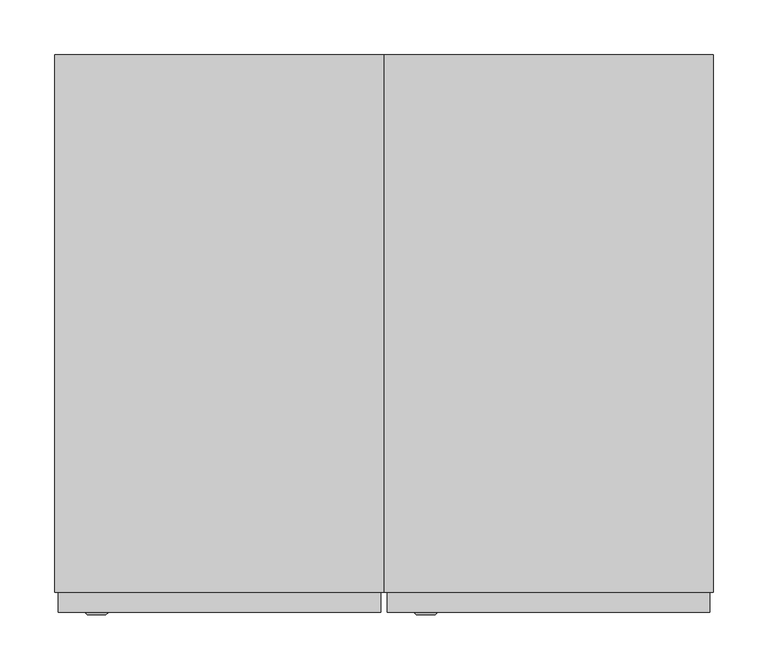
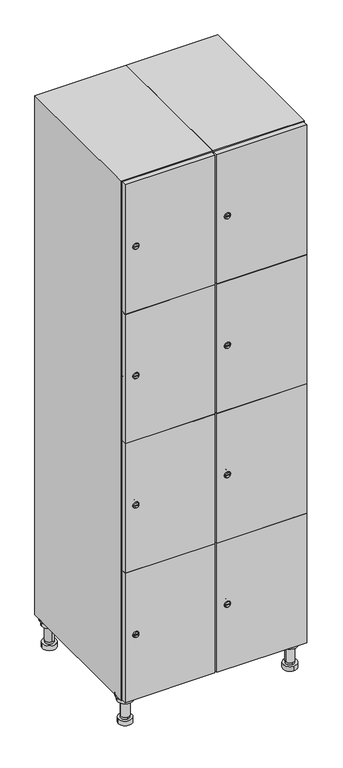
"""IFC4 building model written with IfcOpenShell, lengths in millimetres: furniture geometry."""

from ifc_helpers import new_model, si_unit, point, frame, frame_2d, origin, place, context, project, spatial, polyline, circle_curve, trimmed, segment, composite_curve, outline, extrude, faceted_brep, source, transform, mapped, element, save
from ifc_brep_helpers import plane_surface, cylinder_surface, revolved_surface, advanced_brep


def furniture_8542438e(model_context):
    return source(origin(), model_context, "Body", "SolidModel", [
        advanced_brep(
        [(370.0, -201.0, 22.0), (370.0, -201.5, 16.0), (370.0, -228.5, 16.0), (370.0, -229.0, 22.0), (356.0, -215.0, 22.0), (384.0, -215.0, 22.0), (370.0, -192.5, 16.0), (370.0, -237.5, 16.0), (370.0, -192.5, 0.0), (370.0, -237.5, 0.0), (384.0, -215.0, 78.0), (356.0, -215.0, 78.0), (395.0, -215.0, 78.0), (345.0, -215.0, 78.0), (400.0, -215.0, 94.0), (340.0, -215.0, 94.0), (345.0, -215.0, 94.0), (395.0, -215.0, 94.0), (400.0, -215.0, 100.0), (340.0, -215.0, 100.0)],
        [
            (0, 1),
            (1, 2, circle_curve(frame((370.0, -215.0, 16.0), z_axis=(0.0, 0.0, 1.0), x_axis=(0.0, -1.0, 0.0)), 13.5)),
            (2, 3),
            (3, 4, circle_curve(frame((370.0, -215.0, 22.0), z_axis=(0.0, 0.0, -1.0), x_axis=(0.0, -1.0, 0.0)), 14.0)),
            (4, 0, circle_curve(frame((370.0, -215.0, 22.0), z_axis=(0.0, 0.0, -1.0), x_axis=(0.0, -1.0, 0.0)), 14.0)),
            (0, 5, circle_curve(frame((370.0, -215.0, 22.0), z_axis=(0.0, 0.0, -1.0), x_axis=(0.0, 1.0, 0.0)), 14.0)),
            (5, 3, circle_curve(frame((370.0, -215.0, 22.0), z_axis=(0.0, 0.0, -1.0), x_axis=(0.0, 1.0, 0.0)), 14.0)),
            (2, 1, circle_curve(frame((370.0, -215.0, 16.0), z_axis=(0.0, 0.0, 1.0), x_axis=(0.0, 1.0, 0.0)), 13.5)),
            (6, 7, circle_curve(frame((370.0, -215.0, 16.0), z_axis=(0.0, 0.0, 1.0), x_axis=(0.0, -1.0, 0.0)), 22.5)),
            (7, 6, circle_curve(frame((370.0, -215.0, 16.0), z_axis=(0.0, 0.0, 1.0), x_axis=(0.0, -1.0, 0.0)), 22.5)),
            (8, 9, circle_curve(frame((370.0, -215.0, 0.0), z_axis=(0.0, 0.0, -1.0), x_axis=(0.0, -1.0, 0.0)), 22.5)),
            (9, 8, circle_curve(frame((370.0, -215.0, 0.0), z_axis=(0.0, 0.0, -1.0), x_axis=(0.0, -1.0, 0.0)), 22.5)),
            (6, 8),
            (9, 7),
            (5, 10),
            (10, 11, circle_curve(frame((370.0, -215.0, 78.0), z_axis=(0.0, 0.0, -1.0), x_axis=(-1.0, 0.0, 0.0)), 14.0)),
            (11, 4),
            (11, 10, circle_curve(frame((370.0, -215.0, 78.0), z_axis=(0.0, 0.0, -1.0), x_axis=(-1.0, 0.0, 0.0)), 14.0)),
            (12, 13, circle_curve(frame((370.0, -215.0, 78.0), z_axis=(0.0, 0.0, -1.0), x_axis=(-1.0, 0.0, 0.0)), 25.0)),
            (13, 12, circle_curve(frame((370.0, -215.0, 78.0), z_axis=(0.0, 0.0, -1.0), x_axis=(-1.0, 0.0, 0.0)), 25.0)),
            (14, 15, circle_curve(frame((370.0, -215.0, 94.0), z_axis=(0.0, 0.0, -1.0), x_axis=(-1.0, 0.0, 0.0)), 30.0)),
            (15, 14, circle_curve(frame((370.0, -215.0, 94.0), z_axis=(0.0, 0.0, -1.0), x_axis=(-1.0, 0.0, 0.0)), 30.0)),
            (16, 17, circle_curve(frame((370.0, -215.0, 94.0), z_axis=(0.0, 0.0, 1.0), x_axis=(-1.0, 0.0, 0.0)), 25.0)),
            (17, 16, circle_curve(frame((370.0, -215.0, 94.0), z_axis=(0.0, 0.0, 1.0), x_axis=(-1.0, 0.0, 0.0)), 25.0)),
            (18, 19, circle_curve(frame((370.0, -215.0, 100.0), z_axis=(0.0, 0.0, 1.0), x_axis=(-1.0, 0.0, 0.0)), 30.0)),
            (19, 18, circle_curve(frame((370.0, -215.0, 100.0), z_axis=(0.0, 0.0, 1.0), x_axis=(-1.0, 0.0, 0.0)), 30.0)),
            (14, 18),
            (19, 15),
            (12, 17),
            (16, 13),
        ],
        [
            revolved_surface(polyline([(370.0, -201.5, 16.0), (370.0, -201.0, 22.0)]), (370.0, -215.0, -146.0), (0.0, 0.0, 1.0)),
            plane_surface(frame((370.0, 0.0, 16.0), z_axis=(0.0, 0.0, 1.0), x_axis=(0.0, -1.0, 0.0))),
            plane_surface(frame((370.0, 0.0, 0.0), z_axis=(0.0, 0.0, -1.0), x_axis=(0.0, -1.0, 0.0))),
            cylinder_surface(frame((370.0, -215.0, 16.0), z_axis=(0.0, 0.0, 1.0), x_axis=(0.0, -1.0, 0.0)), 22.5),
            cylinder_surface(frame((370.0, -215.0, 22.0), z_axis=(0.0, 0.0, -1.0), x_axis=(-1.0, 0.0, 0.0)), 14.0),
            plane_surface(frame((370.0, 0.0, 78.0), z_axis=(0.0, 0.0, -1.0), x_axis=(0.0, -1.0, 0.0))),
            plane_surface(frame((370.0, 0.0, 94.0), z_axis=(0.0, 0.0, -1.0), x_axis=(0.0, -1.0, 0.0))),
            plane_surface(frame((370.0, 0.0, 100.0), z_axis=(0.0, 0.0, 1.0), x_axis=(0.0, -1.0, 0.0))),
            cylinder_surface(frame((370.0, -215.0, 94.0), z_axis=(0.0, 0.0, -1.0), x_axis=(-1.0, 0.0, 0.0)), 30.0),
            cylinder_surface(frame((370.0, -215.0, 78.0), z_axis=(0.0, 0.0, -1.0), x_axis=(-1.0, 0.0, 0.0)), 25.0),
        ],
        [
            (0, [[1, 2, 3, 4, 5]]),
            (0, [[-1, 6, 7, -3, 8]]),
            (1, [[9, 10], [-2, -8]]),
            (2, [[11, 12]]),
            (3, [[-9, 13, -12, 14]]),
            (3, [[-10, -14, -11, -13]]),
            (4, [[15, 16, 17, -4, -7]]),
            (4, [[-15, -6, -5, -17, 18]]),
            (5, [[19, 20], [-16, -18]]),
            (6, [[21, 22], [23, 24]]),
            (7, [[25, 26]]),
            (8, [[-21, 27, -26, 28]]),
            (8, [[-22, -28, -25, -27]]),
            (9, [[-19, 29, -23, 30]]),
            (9, [[-20, -30, -24, -29]]),
        ],
    ),
        advanced_brep(
        [(-170.0, -201.0, 22.0), (-170.0, -201.5, 16.0), (-170.0, -228.5, 16.0), (-170.0, -229.0, 22.0), (-184.0, -215.0, 22.0), (-156.0, -215.0, 22.0), (-147.5, -215.0, 0.0), (-192.5, -215.0, 0.0), (-147.5, -215.0, 16.0), (-192.5, -215.0, 16.0), (-156.0, -215.0, 78.0), (-184.0, -215.0, 78.0), (-145.0, -215.0, 78.0), (-195.0, -215.0, 78.0), (-140.0, -215.0, 94.0), (-200.0, -215.0, 94.0), (-195.0, -215.0, 94.0), (-145.0, -215.0, 94.0), (-140.0, -215.0, 100.0), (-200.0, -215.0, 100.0)],
        [
            (0, 1),
            (1, 2, circle_curve(frame((-170.0, -215.0, 16.0), z_axis=(0.0, 0.0, 1.0), x_axis=(0.0, -1.0, 0.0)), 13.5)),
            (2, 3),
            (3, 4, circle_curve(frame((-170.0, -215.0, 22.0), z_axis=(0.0, 0.0, -1.0), x_axis=(0.0, -1.0, 0.0)), 14.0)),
            (4, 0, circle_curve(frame((-170.0, -215.0, 22.0), z_axis=(0.0, 0.0, -1.0), x_axis=(0.0, -1.0, 0.0)), 14.0)),
            (0, 5, circle_curve(frame((-170.0, -215.0, 22.0), z_axis=(0.0, 0.0, -1.0), x_axis=(0.0, 1.0, 0.0)), 14.0)),
            (5, 3, circle_curve(frame((-170.0, -215.0, 22.0), z_axis=(0.0, 0.0, -1.0), x_axis=(0.0, 1.0, 0.0)), 14.0)),
            (2, 1, circle_curve(frame((-170.0, -215.0, 16.0), z_axis=(0.0, 0.0, 1.0), x_axis=(0.0, 1.0, 0.0)), 13.5)),
            (6, 7, circle_curve(frame((-170.0, -215.0, 0.0), z_axis=(0.0, 0.0, -1.0), x_axis=(-1.0, 0.0, 0.0)), 22.5)),
            (7, 6, circle_curve(frame((-170.0, -215.0, 0.0), z_axis=(0.0, 0.0, -1.0), x_axis=(-1.0, 0.0, 0.0)), 22.5)),
            (8, 9, circle_curve(frame((-170.0, -215.0, 16.0), z_axis=(0.0, 0.0, 1.0), x_axis=(-1.0, 0.0, 0.0)), 22.5)),
            (9, 8, circle_curve(frame((-170.0, -215.0, 16.0), z_axis=(0.0, 0.0, 1.0), x_axis=(-1.0, 0.0, 0.0)), 22.5)),
            (6, 8),
            (9, 7),
            (5, 10),
            (10, 11, circle_curve(frame((-170.0, -215.0, 78.0), z_axis=(0.0, 0.0, -1.0), x_axis=(-1.0, 0.0, 0.0)), 14.0)),
            (11, 4),
            (11, 10, circle_curve(frame((-170.0, -215.0, 78.0), z_axis=(0.0, 0.0, -1.0), x_axis=(-1.0, 0.0, 0.0)), 14.0)),
            (12, 13, circle_curve(frame((-170.0, -215.0, 78.0), z_axis=(0.0, 0.0, -1.0), x_axis=(-1.0, 0.0, 0.0)), 25.0)),
            (13, 12, circle_curve(frame((-170.0, -215.0, 78.0), z_axis=(0.0, 0.0, -1.0), x_axis=(-1.0, 0.0, 0.0)), 25.0)),
            (14, 15, circle_curve(frame((-170.0, -215.0, 94.0), z_axis=(0.0, 0.0, -1.0), x_axis=(-1.0, 0.0, 0.0)), 30.0)),
            (15, 14, circle_curve(frame((-170.0, -215.0, 94.0), z_axis=(0.0, 0.0, -1.0), x_axis=(-1.0, 0.0, 0.0)), 30.0)),
            (16, 17, circle_curve(frame((-170.0, -215.0, 94.0), z_axis=(0.0, 0.0, 1.0), x_axis=(-1.0, 0.0, 0.0)), 25.0)),
            (17, 16, circle_curve(frame((-170.0, -215.0, 94.0), z_axis=(0.0, 0.0, 1.0), x_axis=(-1.0, 0.0, 0.0)), 25.0)),
            (18, 19, circle_curve(frame((-170.0, -215.0, 100.0), z_axis=(0.0, 0.0, 1.0), x_axis=(-1.0, 0.0, 0.0)), 30.0)),
            (19, 18, circle_curve(frame((-170.0, -215.0, 100.0), z_axis=(0.0, 0.0, 1.0), x_axis=(-1.0, 0.0, 0.0)), 30.0)),
            (14, 18),
            (19, 15),
            (12, 17),
            (16, 13),
        ],
        [
            revolved_surface(polyline([(-170.0, -201.5, 16.0), (-170.0, -201.0, 22.0)]), (-170.0, -215.0, -146.0), (0.0, 0.0, 1.0)),
            plane_surface(frame((-170.0, 0.0, 0.0), z_axis=(0.0, 0.0, -1.0), x_axis=(0.0, -1.0, 0.0))),
            plane_surface(frame((-170.0, 0.0, 16.0), z_axis=(0.0, 0.0, 1.0), x_axis=(0.0, -1.0, 0.0))),
            cylinder_surface(frame((-170.0, -215.0, 0.0), z_axis=(0.0, 0.0, -1.0), x_axis=(-1.0, 0.0, 0.0)), 22.5),
            cylinder_surface(frame((-170.0, -215.0, 22.0), z_axis=(0.0, 0.0, -1.0), x_axis=(-1.0, 0.0, 0.0)), 14.0),
            plane_surface(frame((-170.0, 0.0, 78.0), z_axis=(0.0, 0.0, -1.0), x_axis=(0.0, -1.0, 0.0))),
            plane_surface(frame((-170.0, 0.0, 94.0), z_axis=(0.0, 0.0, -1.0), x_axis=(0.0, -1.0, 0.0))),
            plane_surface(frame((-170.0, 0.0, 100.0), z_axis=(0.0, 0.0, 1.0), x_axis=(0.0, -1.0, 0.0))),
            cylinder_surface(frame((-170.0, -215.0, 94.0), z_axis=(0.0, 0.0, -1.0), x_axis=(-1.0, 0.0, 0.0)), 30.0),
            cylinder_surface(frame((-170.0, -215.0, 78.0), z_axis=(0.0, 0.0, -1.0), x_axis=(-1.0, 0.0, 0.0)), 25.0),
        ],
        [
            (0, [[1, 2, 3, 4, 5]]),
            (0, [[-1, 6, 7, -3, 8]]),
            (1, [[9, 10]]),
            (2, [[11, 12], [-2, -8]]),
            (3, [[-9, 13, -12, 14]]),
            (3, [[-10, -14, -11, -13]]),
            (4, [[15, 16, 17, -4, -7]]),
            (4, [[-15, -6, -5, -17, 18]]),
            (5, [[19, 20], [-16, -18]]),
            (6, [[21, 22], [23, 24]]),
            (7, [[25, 26]]),
            (8, [[-21, 27, -26, 28]]),
            (8, [[-22, -28, -25, -27]]),
            (9, [[-19, 29, -23, 30]]),
            (9, [[-20, -30, -24, -29]]),
        ],
    ),
        advanced_brep(
        [(383.5, 215.0, 16.0), (384.0, 215.0, 22.0), (356.0, 215.0, 22.0), (356.5, 215.0, 16.0), (392.5, 215.0, 0.0), (347.5, 215.0, 0.0), (392.5, 215.0, 16.0), (347.5, 215.0, 16.0), (384.0, 215.0, 78.0), (356.0, 215.0, 78.0), (395.0, 215.0, 78.0), (345.0, 215.0, 78.0), (400.0, 215.0, 94.0), (340.0, 215.0, 94.0), (345.0, 215.0, 94.0), (395.0, 215.0, 94.0), (400.0, 215.0, 100.0), (340.0, 215.0, 100.0)],
        [
            (0, 1),
            (1, 2, circle_curve(frame((370.0, 215.0, 22.0), z_axis=(0.0, 0.0, -1.0), x_axis=(-1.0, 0.0, 0.0)), 14.0)),
            (2, 3),
            (3, 0, circle_curve(frame((370.0, 215.0, 16.0), z_axis=(0.0, 0.0, 1.0), x_axis=(-1.0, 0.0, 0.0)), 13.5)),
            (0, 3, circle_curve(frame((370.0, 215.0, 16.0), z_axis=(0.0, 0.0, 1.0), x_axis=(1.0, 0.0, 0.0)), 13.5)),
            (2, 1, circle_curve(frame((370.0, 215.0, 22.0), z_axis=(0.0, 0.0, -1.0), x_axis=(1.0, 0.0, 0.0)), 14.0)),
            (4, 5, circle_curve(frame((370.0, 215.0, 0.0), z_axis=(0.0, 0.0, -1.0), x_axis=(-1.0, 0.0, 0.0)), 22.5)),
            (5, 4, circle_curve(frame((370.0, 215.0, 0.0), z_axis=(0.0, 0.0, -1.0), x_axis=(-1.0, 0.0, 0.0)), 22.5)),
            (6, 7, circle_curve(frame((370.0, 215.0, 16.0), z_axis=(0.0, 0.0, 1.0), x_axis=(-1.0, 0.0, 0.0)), 22.5)),
            (7, 6, circle_curve(frame((370.0, 215.0, 16.0), z_axis=(0.0, 0.0, 1.0), x_axis=(-1.0, 0.0, 0.0)), 22.5)),
            (4, 6),
            (7, 5),
            (1, 8),
            (8, 9, circle_curve(frame((370.0, 215.0, 78.0), z_axis=(0.0, 0.0, -1.0), x_axis=(-1.0, 0.0, 0.0)), 14.0)),
            (9, 2),
            (9, 8, circle_curve(frame((370.0, 215.0, 78.0), z_axis=(0.0, 0.0, -1.0), x_axis=(-1.0, 0.0, 0.0)), 14.0)),
            (10, 11, circle_curve(frame((370.0, 215.0, 78.0), z_axis=(0.0, 0.0, -1.0), x_axis=(-1.0, 0.0, 0.0)), 25.0)),
            (11, 10, circle_curve(frame((370.0, 215.0, 78.0), z_axis=(0.0, 0.0, -1.0), x_axis=(-1.0, 0.0, 0.0)), 25.0)),
            (12, 13, circle_curve(frame((370.0, 215.0, 94.0), z_axis=(0.0, 0.0, -1.0), x_axis=(-1.0, 0.0, 0.0)), 30.0)),
            (13, 12, circle_curve(frame((370.0, 215.0, 94.0), z_axis=(0.0, 0.0, -1.0), x_axis=(-1.0, 0.0, 0.0)), 30.0)),
            (14, 15, circle_curve(frame((370.0, 215.0, 94.0), z_axis=(0.0, 0.0, 1.0), x_axis=(-1.0, 0.0, 0.0)), 25.0)),
            (15, 14, circle_curve(frame((370.0, 215.0, 94.0), z_axis=(0.0, 0.0, 1.0), x_axis=(-1.0, 0.0, 0.0)), 25.0)),
            (16, 17, circle_curve(frame((370.0, 215.0, 100.0), z_axis=(0.0, 0.0, 1.0), x_axis=(-1.0, 0.0, 0.0)), 30.0)),
            (17, 16, circle_curve(frame((370.0, 215.0, 100.0), z_axis=(0.0, 0.0, 1.0), x_axis=(-1.0, 0.0, 0.0)), 30.0)),
            (12, 16),
            (17, 13),
            (10, 15),
            (14, 11),
        ],
        [
            revolved_surface(polyline([(383.5, 215.0, 16.0), (384.0, 215.0, 22.0)]), (370.0, 215.0, -146.0), (0.0, 0.0, 1.0)),
            plane_surface(frame((370.0, 0.0, 0.0), z_axis=(0.0, 0.0, -1.0), x_axis=(0.0, -1.0, 0.0))),
            plane_surface(frame((370.0, 0.0, 16.0), z_axis=(0.0, 0.0, 1.0), x_axis=(0.0, -1.0, 0.0))),
            cylinder_surface(frame((370.0, 215.0, 0.0), z_axis=(0.0, 0.0, -1.0), x_axis=(-1.0, 0.0, 0.0)), 22.5),
            cylinder_surface(frame((370.0, 215.0, 22.0), z_axis=(0.0, 0.0, -1.0), x_axis=(-1.0, 0.0, 0.0)), 14.0),
            plane_surface(frame((370.0, 0.0, 78.0), z_axis=(0.0, 0.0, -1.0), x_axis=(0.0, -1.0, 0.0))),
            plane_surface(frame((370.0, 0.0, 94.0), z_axis=(0.0, 0.0, -1.0), x_axis=(0.0, -1.0, 0.0))),
            plane_surface(frame((370.0, 0.0, 100.0), z_axis=(0.0, 0.0, 1.0), x_axis=(0.0, -1.0, 0.0))),
            cylinder_surface(frame((370.0, 215.0, 94.0), z_axis=(0.0, 0.0, -1.0), x_axis=(-1.0, 0.0, 0.0)), 30.0),
            cylinder_surface(frame((370.0, 215.0, 78.0), z_axis=(0.0, 0.0, -1.0), x_axis=(-1.0, 0.0, 0.0)), 25.0),
        ],
        [
            (0, [[1, 2, 3, 4]]),
            (0, [[-1, 5, -3, 6]]),
            (1, [[7, 8]]),
            (2, [[9, 10], [-4, -5]]),
            (3, [[-7, 11, -10, 12]]),
            (3, [[-8, -12, -9, -11]]),
            (4, [[13, 14, 15, -2]]),
            (4, [[-13, -6, -15, 16]]),
            (5, [[17, 18], [-14, -16]]),
            (6, [[19, 20], [21, 22]]),
            (7, [[23, 24]]),
            (8, [[-19, 25, -24, 26]]),
            (8, [[-20, -26, -23, -25]]),
            (9, [[-17, 27, -21, 28]]),
            (9, [[-18, -28, -22, -27]]),
        ],
    ),
        advanced_brep(
        [(-156.5, 215.0, 16.0), (-156.0, 215.0, 22.0), (-170.0, 201.0, 22.0), (-184.0, 215.0, 22.0), (-183.5, 215.0, 16.0), (-170.0, 229.0, 22.0), (-147.5, 215.0, 0.0), (-192.5, 215.0, 0.0), (-147.5, 215.0, 16.0), (-192.5, 215.0, 16.0), (-170.0, 229.0, 78.0), (-170.0, 201.0, 78.0), (-145.0, 215.0, 78.0), (-195.0, 215.0, 78.0), (-140.0, 215.0, 94.0), (-200.0, 215.0, 94.0), (-195.0, 215.0, 94.0), (-145.0, 215.0, 94.0), (-140.0, 215.0, 100.0), (-200.0, 215.0, 100.0)],
        [
            (0, 1),
            (1, 2, circle_curve(frame((-170.0, 215.0, 22.0), z_axis=(0.0, 0.0, -1.0), x_axis=(-1.0, 0.0, 0.0)), 14.0)),
            (2, 3, circle_curve(frame((-170.0, 215.0, 22.0), z_axis=(0.0, 0.0, -1.0), x_axis=(-1.0, 0.0, 0.0)), 14.0)),
            (3, 4),
            (4, 0, circle_curve(frame((-170.0, 215.0, 16.0), z_axis=(0.0, 0.0, 1.0), x_axis=(-1.0, 0.0, 0.0)), 13.5)),
            (0, 4, circle_curve(frame((-170.0, 215.0, 16.0), z_axis=(0.0, 0.0, 1.0), x_axis=(1.0, 0.0, 0.0)), 13.5)),
            (3, 5, circle_curve(frame((-170.0, 215.0, 22.0), z_axis=(0.0, 0.0, -1.0), x_axis=(1.0, 0.0, 0.0)), 14.0)),
            (5, 1, circle_curve(frame((-170.0, 215.0, 22.0), z_axis=(0.0, 0.0, -1.0), x_axis=(1.0, 0.0, 0.0)), 14.0)),
            (6, 7, circle_curve(frame((-170.0, 215.0, 0.0), z_axis=(0.0, 0.0, -1.0), x_axis=(-1.0, 0.0, 0.0)), 22.5)),
            (7, 6, circle_curve(frame((-170.0, 215.0, 0.0), z_axis=(0.0, 0.0, -1.0), x_axis=(-1.0, 0.0, 0.0)), 22.5)),
            (8, 9, circle_curve(frame((-170.0, 215.0, 16.0), z_axis=(0.0, 0.0, 1.0), x_axis=(-1.0, 0.0, 0.0)), 22.5)),
            (9, 8, circle_curve(frame((-170.0, 215.0, 16.0), z_axis=(0.0, 0.0, 1.0), x_axis=(-1.0, 0.0, 0.0)), 22.5)),
            (6, 8),
            (9, 7),
            (10, 5),
            (2, 11),
            (11, 10, circle_curve(frame((-170.0, 215.0, 78.0), z_axis=(0.0, 0.0, -1.0), x_axis=(0.0, -1.0, 0.0)), 14.0)),
            (10, 11, circle_curve(frame((-170.0, 215.0, 78.0), z_axis=(0.0, 0.0, -1.0), x_axis=(0.0, -1.0, 0.0)), 14.0)),
            (12, 13, circle_curve(frame((-170.0, 215.0, 78.0), z_axis=(0.0, 0.0, -1.0), x_axis=(-1.0, 0.0, 0.0)), 25.0)),
            (13, 12, circle_curve(frame((-170.0, 215.0, 78.0), z_axis=(0.0, 0.0, -1.0), x_axis=(-1.0, 0.0, 0.0)), 25.0)),
            (14, 15, circle_curve(frame((-170.0, 215.0, 94.0), z_axis=(0.0, 0.0, -1.0), x_axis=(-1.0, 0.0, 0.0)), 30.0)),
            (15, 14, circle_curve(frame((-170.0, 215.0, 94.0), z_axis=(0.0, 0.0, -1.0), x_axis=(-1.0, 0.0, 0.0)), 30.0)),
            (16, 17, circle_curve(frame((-170.0, 215.0, 94.0), z_axis=(0.0, 0.0, 1.0), x_axis=(-1.0, 0.0, 0.0)), 25.0)),
            (17, 16, circle_curve(frame((-170.0, 215.0, 94.0), z_axis=(0.0, 0.0, 1.0), x_axis=(-1.0, 0.0, 0.0)), 25.0)),
            (18, 19, circle_curve(frame((-170.0, 215.0, 100.0), z_axis=(0.0, 0.0, 1.0), x_axis=(-1.0, 0.0, 0.0)), 30.0)),
            (19, 18, circle_curve(frame((-170.0, 215.0, 100.0), z_axis=(0.0, 0.0, 1.0), x_axis=(-1.0, 0.0, 0.0)), 30.0)),
            (14, 18),
            (19, 15),
            (12, 17),
            (16, 13),
        ],
        [
            revolved_surface(polyline([(-156.5, 215.0, 16.0), (-156.0, 215.0, 22.0)]), (-170.0, 215.0, -146.0), (0.0, 0.0, 1.0)),
            plane_surface(frame((-170.0, 0.0, 0.0), z_axis=(0.0, 0.0, -1.0), x_axis=(0.0, -1.0, 0.0))),
            plane_surface(frame((-170.0, 0.0, 16.0), z_axis=(0.0, 0.0, 1.0), x_axis=(0.0, -1.0, 0.0))),
            cylinder_surface(frame((-170.0, 215.0, 0.0), z_axis=(0.0, 0.0, -1.0), x_axis=(-1.0, 0.0, 0.0)), 22.5),
            cylinder_surface(frame((-170.0, 215.0, 78.0), z_axis=(0.0, 0.0, 1.0), x_axis=(0.0, -1.0, 0.0)), 14.0),
            plane_surface(frame((-170.0, 0.0, 78.0), z_axis=(0.0, 0.0, -1.0), x_axis=(0.0, -1.0, 0.0))),
            plane_surface(frame((-170.0, 0.0, 94.0), z_axis=(0.0, 0.0, -1.0), x_axis=(0.0, -1.0, 0.0))),
            plane_surface(frame((-170.0, 0.0, 100.0), z_axis=(0.0, 0.0, 1.0), x_axis=(0.0, -1.0, 0.0))),
            cylinder_surface(frame((-170.0, 215.0, 94.0), z_axis=(0.0, 0.0, -1.0), x_axis=(-1.0, 0.0, 0.0)), 30.0),
            cylinder_surface(frame((-170.0, 215.0, 78.0), z_axis=(0.0, 0.0, -1.0), x_axis=(-1.0, 0.0, 0.0)), 25.0),
        ],
        [
            (0, [[1, 2, 3, 4, 5]]),
            (0, [[-1, 6, -4, 7, 8]]),
            (1, [[9, 10]]),
            (2, [[11, 12], [-5, -6]]),
            (3, [[-9, 13, -12, 14]]),
            (3, [[-10, -14, -11, -13]]),
            (4, [[15, -7, -3, 16, 17]]),
            (4, [[-15, 18, -16, -2, -8]]),
            (5, [[19, 20], [-17, -18]]),
            (6, [[21, 22], [23, 24]]),
            (7, [[25, 26]]),
            (8, [[-21, 27, -26, 28]]),
            (8, [[-22, -28, -25, -27]]),
            (9, [[-19, 29, -23, 30]]),
            (9, [[-20, -30, -24, -29]]),
        ],
    ),
        extrude(outline(composite_curve([segment(trimmed(circle_curve(frame_2d((327.25, 111.2010534)), 7.0), [point((334.25, 111.2010534))], [point((320.25, 111.2010534))], False, "CARTESIAN"), True, "CONTINUOUS"), segment(polyline([(320.25, 111.2010534), (320.25, 139.2010534)]), True, "CONTINUOUS"), segment(trimmed(circle_curve(frame_2d((327.25, 139.2010534)), 7.0), [point((320.25, 139.2010534))], [point((334.25, 139.2010534))], False, "CARTESIAN"), True, "CONTINUOUS"), segment(polyline([(334.25, 139.2010534), (334.25, 111.2010534)]), True, "CONTINUOUS")], self_intersect=False)), frame((0.0, -245.0, 0.0), z_axis=(0.0, 1.0, 0.0), x_axis=(0.0, 0.0, 1.0)), (0.0, 0.0, 1.0), 2.0),
        advanced_brep(
        [(146.5, -265.2, 327.25), (129.5, -265.2, 327.25), (133.0, -265.2, 326.0), (133.0, -265.2, 328.5), (143.0, -265.2, 328.5), (143.0, -265.2, 326.0), (148.5, -263.0, 327.25), (127.5, -263.0, 327.25), (133.0, -263.0, 328.5), (133.0, -263.0, 326.0), (143.0, -263.0, 326.0), (143.0, -263.0, 328.5)],
        [
            (0, 1, circle_curve(frame((138.0, -265.2, 327.25), z_axis=(0.0, -1.0, 0.0), x_axis=(1.0, 0.0, 0.0)), 8.5)),
            (1, 0, circle_curve(frame((138.0, -265.2, 327.25), z_axis=(0.0, -1.0, 0.0), x_axis=(-1.0, 0.0, 0.0)), 8.5)),
            (2, 3),
            (3, 4),
            (4, 5),
            (5, 2),
            (6, 7, circle_curve(frame((138.0, -263.0, 327.25), z_axis=(0.0, 1.0, 0.0), x_axis=(-1.0, 0.0, 0.0)), 10.5)),
            (7, 6, circle_curve(frame((138.0, -263.0, 327.25), z_axis=(0.0, 1.0, 0.0), x_axis=(1.0, 0.0, 0.0)), 10.5)),
            (8, 9),
            (9, 10),
            (10, 11),
            (11, 8),
            (0, 6),
            (7, 1),
            (8, 3),
            (2, 9),
            (11, 4),
            (10, 5),
        ],
        [
            plane_surface(frame((138.0, -265.2, 327.25), z_axis=(0.0, -1.0, 0.0), x_axis=(0.0, 0.0, 1.0))),
            plane_surface(frame((138.0, -263.0, 327.25), z_axis=(0.0, 1.0, 0.0), x_axis=(0.0, 0.0, 1.0))),
            revolved_surface(polyline([(146.5, -265.2, 327.25), (148.5, -263.0, 327.25)]), (138.0, -274.55, 327.25), (0.0, 1.0, 0.0)),
            revolved_surface(polyline([(129.5, -265.2, 327.25), (127.5, -263.0, 327.25)]), (138.0, -274.55, 327.25), (0.0, 1.0, 0.0)),
            plane_surface(frame((133.0, -263.0, 326.0), z_axis=(1.0, 0.0, 0.0), x_axis=(0.0, -1.0, 0.0))),
            plane_surface(frame((133.0, -263.0, 328.5), z_axis=(0.0, 0.0, -1.0), x_axis=(0.0, -1.0, 0.0))),
            plane_surface(frame((143.0, -263.0, 328.5), z_axis=(-1.0, 0.0, 0.0), x_axis=(0.0, -1.0, 0.0))),
            plane_surface(frame((143.0, -263.0, 326.0), z_axis=(0.0, 0.0, 1.0), x_axis=(0.0, -1.0, 0.0))),
        ],
        [
            (0, [[1, 2], [3, 4, 5, 6]]),
            (1, [[7, 8], [9, 10, 11, 12]]),
            (2, [[-1, 13, -8, 14]]),
            (3, [[-2, -14, -7, -13]]),
            (4, [[15, -3, 16, -9]]),
            (5, [[-15, -12, 17, -4]]),
            (6, [[-17, -11, 18, -5]]),
            (7, [[-16, -6, -18, -10]]),
        ],
    ),
        extrude(outline(composite_curve([segment(trimmed(circle_curve(frame_2d((775.75, 111.2010534)), 7.0), [point((782.75, 111.2010534))], [point((768.75, 111.2010534))], False, "CARTESIAN"), True, "CONTINUOUS"), segment(polyline([(768.75, 111.2010534), (768.75, 139.2010534)]), True, "CONTINUOUS"), segment(trimmed(circle_curve(frame_2d((775.75, 139.2010534)), 7.0), [point((768.75, 139.2010534))], [point((782.75, 139.2010534))], False, "CARTESIAN"), True, "CONTINUOUS"), segment(polyline([(782.75, 139.2010534), (782.75, 111.2010534)]), True, "CONTINUOUS")], self_intersect=False)), frame((0.0, -245.0, 0.0), z_axis=(0.0, 1.0, 0.0), x_axis=(0.0, 0.0, 1.0)), (0.0, 0.0, 1.0), 2.0),
        advanced_brep(
        [(146.5, -265.2, 775.75), (129.5, -265.2, 775.75), (133.0, -265.2, 774.5), (133.0, -265.2, 777.0), (143.0, -265.2, 777.0), (143.0, -265.2, 774.5), (148.5, -263.0, 775.75), (127.5, -263.0, 775.75), (133.0, -263.0, 777.0), (133.0, -263.0, 774.5), (143.0, -263.0, 774.5), (143.0, -263.0, 777.0)],
        [
            (0, 1, circle_curve(frame((138.0, -265.2, 775.75), z_axis=(0.0, -1.0, 0.0), x_axis=(1.0, 0.0, 0.0)), 8.5)),
            (1, 0, circle_curve(frame((138.0, -265.2, 775.75), z_axis=(0.0, -1.0, 0.0), x_axis=(-1.0, 0.0, 0.0)), 8.5)),
            (2, 3),
            (3, 4),
            (4, 5),
            (5, 2),
            (6, 7, circle_curve(frame((138.0, -263.0, 775.75), z_axis=(0.0, 1.0, 0.0), x_axis=(-1.0, 0.0, 0.0)), 10.5)),
            (7, 6, circle_curve(frame((138.0, -263.0, 775.75), z_axis=(0.0, 1.0, 0.0), x_axis=(1.0, 0.0, 0.0)), 10.5)),
            (8, 9),
            (9, 10),
            (10, 11),
            (11, 8),
            (0, 6),
            (7, 1),
            (8, 3),
            (2, 9),
            (11, 4),
            (10, 5),
        ],
        [
            plane_surface(frame((138.0, -265.2, 775.75), z_axis=(0.0, -1.0, 0.0), x_axis=(0.0, 0.0, 1.0))),
            plane_surface(frame((138.0, -263.0, 775.75), z_axis=(0.0, 1.0, 0.0), x_axis=(0.0, 0.0, 1.0))),
            revolved_surface(polyline([(146.5, -265.2, 775.75), (148.5, -263.0, 775.75)]), (138.0, -274.55, 775.75), (0.0, 1.0, 0.0)),
            revolved_surface(polyline([(129.5, -265.2, 775.75), (127.5, -263.0, 775.75)]), (138.0, -274.55, 775.75), (0.0, 1.0, 0.0)),
            plane_surface(frame((133.0, -263.0, 774.5), z_axis=(1.0, 0.0, 0.0), x_axis=(0.0, -1.0, 0.0))),
            plane_surface(frame((133.0, -263.0, 777.0), z_axis=(0.0, 0.0, -1.0), x_axis=(0.0, -1.0, 0.0))),
            plane_surface(frame((143.0, -263.0, 777.0), z_axis=(-1.0, 0.0, 0.0), x_axis=(0.0, -1.0, 0.0))),
            plane_surface(frame((143.0, -263.0, 774.5), z_axis=(0.0, 0.0, 1.0), x_axis=(0.0, -1.0, 0.0))),
        ],
        [
            (0, [[1, 2], [3, 4, 5, 6]]),
            (1, [[7, 8], [9, 10, 11, 12]]),
            (2, [[-1, 13, -8, 14]]),
            (3, [[-2, -14, -7, -13]]),
            (4, [[15, -3, 16, -9]]),
            (5, [[-15, -12, 17, -4]]),
            (6, [[-17, -11, 18, -5]]),
            (7, [[-16, -6, -18, -10]]),
        ],
    ),
        extrude(outline(composite_curve([segment(trimmed(circle_curve(frame_2d((1224.25, 111.2010534)), 7.0), [point((1231.25, 111.2010534))], [point((1217.25, 111.2010534))], False, "CARTESIAN"), True, "CONTINUOUS"), segment(polyline([(1217.25, 111.2010534), (1217.25, 139.2010534)]), True, "CONTINUOUS"), segment(trimmed(circle_curve(frame_2d((1224.25, 139.2010534)), 7.0), [point((1217.25, 139.2010534))], [point((1231.25, 139.2010534))], False, "CARTESIAN"), True, "CONTINUOUS"), segment(polyline([(1231.25, 139.2010534), (1231.25, 111.2010534)]), True, "CONTINUOUS")], self_intersect=False)), frame((0.0, -245.0, 0.0), z_axis=(0.0, 1.0, 0.0), x_axis=(0.0, 0.0, 1.0)), (0.0, 0.0, 1.0), 2.0),
        advanced_brep(
        [(146.5, -265.2, 1224.25), (129.5, -265.2, 1224.25), (133.0, -265.2, 1223.0), (133.0, -265.2, 1225.5), (143.0, -265.2, 1225.5), (143.0, -265.2, 1223.0), (148.5, -263.0, 1224.25), (127.5, -263.0, 1224.25), (133.0, -263.0, 1225.5), (133.0, -263.0, 1223.0), (143.0, -263.0, 1223.0), (143.0, -263.0, 1225.5)],
        [
            (0, 1, circle_curve(frame((138.0, -265.2, 1224.25), z_axis=(0.0, -1.0, 0.0), x_axis=(1.0, 0.0, 0.0)), 8.5)),
            (1, 0, circle_curve(frame((138.0, -265.2, 1224.25), z_axis=(0.0, -1.0, 0.0), x_axis=(-1.0, 0.0, 0.0)), 8.5)),
            (2, 3),
            (3, 4),
            (4, 5),
            (5, 2),
            (6, 7, circle_curve(frame((138.0, -263.0, 1224.25), z_axis=(0.0, 1.0, 0.0), x_axis=(-1.0, 0.0, 0.0)), 10.5)),
            (7, 6, circle_curve(frame((138.0, -263.0, 1224.25), z_axis=(0.0, 1.0, 0.0), x_axis=(1.0, 0.0, 0.0)), 10.5)),
            (8, 9),
            (9, 10),
            (10, 11),
            (11, 8),
            (0, 6),
            (7, 1),
            (8, 3),
            (2, 9),
            (11, 4),
            (10, 5),
        ],
        [
            plane_surface(frame((138.0, -265.2, 1224.25), z_axis=(0.0, -1.0, 0.0), x_axis=(0.0, 0.0, 1.0))),
            plane_surface(frame((138.0, -263.0, 1224.25), z_axis=(0.0, 1.0, 0.0), x_axis=(0.0, 0.0, 1.0))),
            revolved_surface(polyline([(146.5, -265.2, 1224.25), (148.5, -263.0, 1224.25)]), (138.0, -274.55, 1224.25), (0.0, 1.0, 0.0)),
            revolved_surface(polyline([(129.5, -265.2, 1224.25), (127.5, -263.0, 1224.25)]), (138.0, -274.55, 1224.25), (0.0, 1.0, 0.0)),
            plane_surface(frame((133.0, -263.0, 1223.0), z_axis=(1.0, 0.0, 0.0), x_axis=(0.0, -1.0, 0.0))),
            plane_surface(frame((133.0, -263.0, 1225.5), z_axis=(0.0, 0.0, -1.0), x_axis=(0.0, -1.0, 0.0))),
            plane_surface(frame((143.0, -263.0, 1225.5), z_axis=(-1.0, 0.0, 0.0), x_axis=(0.0, -1.0, 0.0))),
            plane_surface(frame((143.0, -263.0, 1223.0), z_axis=(0.0, 0.0, 1.0), x_axis=(0.0, -1.0, 0.0))),
        ],
        [
            (0, [[1, 2], [3, 4, 5, 6]]),
            (1, [[7, 8], [9, 10, 11, 12]]),
            (2, [[-1, 13, -8, 14]]),
            (3, [[-2, -14, -7, -13]]),
            (4, [[15, -3, 16, -9]]),
            (5, [[-15, -12, 17, -4]]),
            (6, [[-17, -11, 18, -5]]),
            (7, [[-16, -6, -18, -10]]),
        ],
    ),
        extrude(outline(composite_curve([segment(trimmed(circle_curve(frame_2d((1672.75, 111.2010534)), 7.0), [point((1679.75, 111.2010534))], [point((1665.75, 111.2010534))], False, "CARTESIAN"), True, "CONTINUOUS"), segment(polyline([(1665.75, 111.2010534), (1665.75, 139.2010534)]), True, "CONTINUOUS"), segment(trimmed(circle_curve(frame_2d((1672.75, 139.2010534)), 7.0), [point((1665.75, 139.2010534))], [point((1679.75, 139.2010534))], False, "CARTESIAN"), True, "CONTINUOUS"), segment(polyline([(1679.75, 139.2010534), (1679.75, 111.2010534)]), True, "CONTINUOUS")], self_intersect=False)), frame((0.0, -245.0, 0.0), z_axis=(0.0, 1.0, 0.0), x_axis=(0.0, 0.0, 1.0)), (0.0, 0.0, 1.0), 2.0),
        advanced_brep(
        [(146.5, -265.2, 1672.75), (129.5, -265.2, 1672.75), (133.0, -265.2, 1671.5), (133.0, -265.2, 1674.0), (143.0, -265.2, 1674.0), (143.0, -265.2, 1671.5), (148.5, -263.0, 1672.75), (127.5, -263.0, 1672.75), (133.0, -263.0, 1674.0), (133.0, -263.0, 1671.5), (143.0, -263.0, 1671.5), (143.0, -263.0, 1674.0)],
        [
            (0, 1, circle_curve(frame((138.0, -265.2, 1672.75), z_axis=(0.0, -1.0, 0.0), x_axis=(1.0, 0.0, 0.0)), 8.5)),
            (1, 0, circle_curve(frame((138.0, -265.2, 1672.75), z_axis=(0.0, -1.0, 0.0), x_axis=(-1.0, 0.0, 0.0)), 8.5)),
            (2, 3),
            (3, 4),
            (4, 5),
            (5, 2),
            (6, 7, circle_curve(frame((138.0, -263.0, 1672.75), z_axis=(0.0, 1.0, 0.0), x_axis=(-1.0, 0.0, 0.0)), 10.5)),
            (7, 6, circle_curve(frame((138.0, -263.0, 1672.75), z_axis=(0.0, 1.0, 0.0), x_axis=(1.0, 0.0, 0.0)), 10.5)),
            (8, 9),
            (9, 10),
            (10, 11),
            (11, 8),
            (0, 6),
            (7, 1),
            (8, 3),
            (2, 9),
            (11, 4),
            (10, 5),
        ],
        [
            plane_surface(frame((138.0, -265.2, 1672.75), z_axis=(0.0, -1.0, 0.0), x_axis=(0.0, 0.0, 1.0))),
            plane_surface(frame((138.0, -263.0, 1672.75), z_axis=(0.0, 1.0, 0.0), x_axis=(0.0, 0.0, 1.0))),
            revolved_surface(polyline([(146.5, -265.2, 1672.75), (148.5, -263.0, 1672.75)]), (138.0, -274.55, 1672.75), (0.0, 1.0, 0.0)),
            revolved_surface(polyline([(129.5, -265.2, 1672.75), (127.5, -263.0, 1672.75)]), (138.0, -274.55, 1672.75), (0.0, 1.0, 0.0)),
            plane_surface(frame((133.0, -263.0, 1671.5), z_axis=(1.0, 0.0, 0.0), x_axis=(0.0, -1.0, 0.0))),
            plane_surface(frame((133.0, -263.0, 1674.0), z_axis=(0.0, 0.0, -1.0), x_axis=(0.0, -1.0, 0.0))),
            plane_surface(frame((143.0, -263.0, 1674.0), z_axis=(-1.0, 0.0, 0.0), x_axis=(0.0, -1.0, 0.0))),
            plane_surface(frame((143.0, -263.0, 1671.5), z_axis=(0.0, 0.0, 1.0), x_axis=(0.0, -1.0, 0.0))),
        ],
        [
            (0, [[1, 2], [3, 4, 5, 6]]),
            (1, [[7, 8], [9, 10, 11, 12]]),
            (2, [[-1, 13, -8, 14]]),
            (3, [[-2, -14, -7, -13]]),
            (4, [[15, -3, 16, -9]]),
            (5, [[-15, -12, 17, -4]]),
            (6, [[-17, -11, 18, -5]]),
            (7, [[-16, -6, -18, -10]]),
        ],
    ),
        extrude(outline(polyline([(397.0, -245.0), (397.0, -263.0), (103.0, -263.0), (103.0, -245.0), (397.0, -245.0)])), frame((0.0, 0.0, 551.0), z_axis=(0.0, 0.0, 1.0), x_axis=(1.0, 0.0, 0.0)), (0.0, 0.0, 1.0), 448.5),
        extrude(outline(polyline([(397.0, -245.0), (397.0, -263.0), (103.0, -263.0), (103.0, -245.0), (397.0, -245.0)])), frame((0.0, 0.0, 1000.5), z_axis=(0.0, 0.0, 1.0), x_axis=(1.0, 0.0, 0.0)), (0.0, 0.0, 1.0), 447.5),
        extrude(outline(polyline([(103.0, -263.0), (103.0, -245.0), (397.0, -245.0), (397.0, -263.0), (103.0, -263.0)])), frame((0.0, 0.0, 1449.0), z_axis=(0.0, 0.0, 1.0), x_axis=(1.0, 0.0, 0.0)), (0.0, 0.0, 1.0), 448.0),
        extrude(outline(polyline([(397.0, -245.0), (397.0, -263.0), (103.0, -263.0), (103.0, -245.0), (397.0, -245.0)])), frame((0.0, 0.0, 103.0), z_axis=(0.0, 0.0, 1.0), x_axis=(1.0, 0.0, 0.0)), (0.0, 0.0, 1.0), 449.0),
        extrude(outline(polyline([(382.0, 227.0), (382.0, -227.0), (118.0, -227.0), (118.0, 227.0), (382.0, 227.0)])), frame((0.0, 0.0, 1432.0), z_axis=(0.0, 0.0, 1.0), x_axis=(1.0, 0.0, 0.0)), (0.0, 0.0, 1.0), 18.0),
        extrude(outline(polyline([(382.0, 227.0), (382.0, -227.0), (118.0, -227.0), (118.0, 227.0), (382.0, 227.0)])), frame((0.0, 0.0, 991.0), z_axis=(0.0, 0.0, 1.0), x_axis=(1.0, 0.0, 0.0)), (0.0, 0.0, 1.0), 18.0),
        extrude(outline(polyline([(382.0, 227.0), (382.0, -227.0), (118.0, -227.0), (118.0, 227.0), (382.0, 227.0)])), frame((0.0, 0.0, 550.0), z_axis=(0.0, 0.0, 1.0), x_axis=(1.0, 0.0, 0.0)), (0.0, 0.0, 1.0), 18.0),
        faceted_brep([(400.0, -245.0, 100.0), (400.0, -245.0, 1900.0), (100.0, -245.0, 1900.0), (100.0, -245.0, 100.0), (382.0, -245.0, 1882.0), (382.0, -245.0, 118.0), (118.0, -245.0, 118.0), (118.0, -245.0, 1882.0), (400.0, 245.0, 100.0), (100.0, 245.0, 100.0), (400.0, 245.0, 1900.0), (100.0, 245.0, 1900.0), (382.0, 227.0, 1882.0), (382.0, 227.0, 118.0), (100.0, 245.0, 1882.0), (118.0, 227.0, 1882.0), (118.0, 227.0, 118.0)], [[[0, 1, 2, 3], [4, 5, 6, 7]], [[8, 0, 3, 9]], [[1, 0, 8, 10]], [[1, 10, 11, 2]], [[4, 12, 13, 5]], [[9, 3, 2, 11, 14]], [[10, 8, 9, 14, 11]], [[12, 15, 16, 13]], [[15, 7, 6, 16]], [[4, 7, 15, 12]], [[6, 5, 13, 16]]]),
        extrude(outline(composite_curve([segment(trimmed(circle_curve(frame_2d((327.25, -188.7989466)), 7.0), [point((334.25, -188.7989466))], [point((320.25, -188.7989466))], False, "CARTESIAN"), True, "CONTINUOUS"), segment(polyline([(320.25, -188.7989466), (320.25, -160.7989466)]), True, "CONTINUOUS"), segment(trimmed(circle_curve(frame_2d((327.25, -160.7989466)), 7.0), [point((320.25, -160.7989466))], [point((334.25, -160.7989466))], False, "CARTESIAN"), True, "CONTINUOUS"), segment(polyline([(334.25, -160.7989466), (334.25, -188.7989466)]), True, "CONTINUOUS")], self_intersect=False)), frame((0.0, -245.0, 0.0), z_axis=(0.0, 1.0, 0.0), x_axis=(0.0, 0.0, 1.0)), (0.0, 0.0, 1.0), 2.0),
        advanced_brep(
        [(-153.5, -265.2, 327.25), (-170.5, -265.2, 327.25), (-167.0, -265.2, 326.0), (-167.0, -265.2, 328.5), (-157.0, -265.2, 328.5), (-157.0, -265.2, 326.0), (-151.5, -263.0, 327.25), (-172.5, -263.0, 327.25), (-167.0, -263.0, 328.5), (-167.0, -263.0, 326.0), (-157.0, -263.0, 326.0), (-157.0, -263.0, 328.5)],
        [
            (0, 1, circle_curve(frame((-162.0, -265.2, 327.25), z_axis=(0.0, -1.0, 0.0), x_axis=(1.0, 0.0, 0.0)), 8.5)),
            (1, 0, circle_curve(frame((-162.0, -265.2, 327.25), z_axis=(0.0, -1.0, 0.0), x_axis=(-1.0, 0.0, 0.0)), 8.5)),
            (2, 3),
            (3, 4),
            (4, 5),
            (5, 2),
            (6, 7, circle_curve(frame((-162.0, -263.0, 327.25), z_axis=(0.0, 1.0, 0.0), x_axis=(-1.0, 0.0, 0.0)), 10.5)),
            (7, 6, circle_curve(frame((-162.0, -263.0, 327.25), z_axis=(0.0, 1.0, 0.0), x_axis=(1.0, 0.0, 0.0)), 10.5)),
            (8, 9),
            (9, 10),
            (10, 11),
            (11, 8),
            (0, 6),
            (7, 1),
            (8, 3),
            (2, 9),
            (11, 4),
            (10, 5),
        ],
        [
            plane_surface(frame((-162.0, -265.2, 327.25), z_axis=(0.0, -1.0, 0.0), x_axis=(0.0, 0.0, 1.0))),
            plane_surface(frame((-162.0, -263.0, 327.25), z_axis=(0.0, 1.0, 0.0), x_axis=(0.0, 0.0, 1.0))),
            revolved_surface(polyline([(-153.5, -265.2, 327.25), (-151.5, -263.0, 327.25)]), (-162.0, -274.55, 327.25), (0.0, 1.0, 0.0)),
            revolved_surface(polyline([(-170.5, -265.2, 327.25), (-172.5, -263.0, 327.25)]), (-162.0, -274.55, 327.25), (0.0, 1.0, 0.0)),
            plane_surface(frame((-167.0, -263.0, 326.0), z_axis=(1.0, 0.0, 0.0), x_axis=(0.0, -1.0, 0.0))),
            plane_surface(frame((-167.0, -263.0, 328.5), z_axis=(0.0, 0.0, -1.0), x_axis=(0.0, -1.0, 0.0))),
            plane_surface(frame((-157.0, -263.0, 328.5), z_axis=(-1.0, 0.0, 0.0), x_axis=(0.0, -1.0, 0.0))),
            plane_surface(frame((-157.0, -263.0, 326.0), z_axis=(0.0, 0.0, 1.0), x_axis=(0.0, -1.0, 0.0))),
        ],
        [
            (0, [[1, 2], [3, 4, 5, 6]]),
            (1, [[7, 8], [9, 10, 11, 12]]),
            (2, [[-1, 13, -8, 14]]),
            (3, [[-2, -14, -7, -13]]),
            (4, [[15, -3, 16, -9]]),
            (5, [[-15, -12, 17, -4]]),
            (6, [[-17, -11, 18, -5]]),
            (7, [[-16, -6, -18, -10]]),
        ],
    ),
        extrude(outline(composite_curve([segment(trimmed(circle_curve(frame_2d((775.75, -188.7989466)), 7.0), [point((782.75, -188.7989466))], [point((768.75, -188.7989466))], False, "CARTESIAN"), True, "CONTINUOUS"), segment(polyline([(768.75, -188.7989466), (768.75, -160.7989466)]), True, "CONTINUOUS"), segment(trimmed(circle_curve(frame_2d((775.75, -160.7989466)), 7.0), [point((768.75, -160.7989466))], [point((782.75, -160.7989466))], False, "CARTESIAN"), True, "CONTINUOUS"), segment(polyline([(782.75, -160.7989466), (782.75, -188.7989466)]), True, "CONTINUOUS")], self_intersect=False)), frame((0.0, -245.0, 0.0), z_axis=(0.0, 1.0, 0.0), x_axis=(0.0, 0.0, 1.0)), (0.0, 0.0, 1.0), 2.0),
        advanced_brep(
        [(-153.5, -265.2, 775.75), (-170.5, -265.2, 775.75), (-167.0, -265.2, 774.5), (-167.0, -265.2, 777.0), (-157.0, -265.2, 777.0), (-157.0, -265.2, 774.5), (-151.5, -263.0, 775.75), (-172.5, -263.0, 775.75), (-167.0, -263.0, 777.0), (-167.0, -263.0, 774.5), (-157.0, -263.0, 774.5), (-157.0, -263.0, 777.0)],
        [
            (0, 1, circle_curve(frame((-162.0, -265.2, 775.75), z_axis=(0.0, -1.0, 0.0), x_axis=(1.0, 0.0, 0.0)), 8.5)),
            (1, 0, circle_curve(frame((-162.0, -265.2, 775.75), z_axis=(0.0, -1.0, 0.0), x_axis=(-1.0, 0.0, 0.0)), 8.5)),
            (2, 3),
            (3, 4),
            (4, 5),
            (5, 2),
            (6, 7, circle_curve(frame((-162.0, -263.0, 775.75), z_axis=(0.0, 1.0, 0.0), x_axis=(-1.0, 0.0, 0.0)), 10.5)),
            (7, 6, circle_curve(frame((-162.0, -263.0, 775.75), z_axis=(0.0, 1.0, 0.0), x_axis=(1.0, 0.0, 0.0)), 10.5)),
            (8, 9),
            (9, 10),
            (10, 11),
            (11, 8),
            (0, 6),
            (7, 1),
            (8, 3),
            (2, 9),
            (11, 4),
            (10, 5),
        ],
        [
            plane_surface(frame((-162.0, -265.2, 775.75), z_axis=(0.0, -1.0, 0.0), x_axis=(0.0, 0.0, 1.0))),
            plane_surface(frame((-162.0, -263.0, 775.75), z_axis=(0.0, 1.0, 0.0), x_axis=(0.0, 0.0, 1.0))),
            revolved_surface(polyline([(-153.5, -265.2, 775.75), (-151.5, -263.0, 775.75)]), (-162.0, -274.55, 775.75), (0.0, 1.0, 0.0)),
            revolved_surface(polyline([(-170.5, -265.2, 775.75), (-172.5, -263.0, 775.75)]), (-162.0, -274.55, 775.75), (0.0, 1.0, 0.0)),
            plane_surface(frame((-167.0, -263.0, 774.5), z_axis=(1.0, 0.0, 0.0), x_axis=(0.0, -1.0, 0.0))),
            plane_surface(frame((-167.0, -263.0, 777.0), z_axis=(0.0, 0.0, -1.0), x_axis=(0.0, -1.0, 0.0))),
            plane_surface(frame((-157.0, -263.0, 777.0), z_axis=(-1.0, 0.0, 0.0), x_axis=(0.0, -1.0, 0.0))),
            plane_surface(frame((-157.0, -263.0, 774.5), z_axis=(0.0, 0.0, 1.0), x_axis=(0.0, -1.0, 0.0))),
        ],
        [
            (0, [[1, 2], [3, 4, 5, 6]]),
            (1, [[7, 8], [9, 10, 11, 12]]),
            (2, [[-1, 13, -8, 14]]),
            (3, [[-2, -14, -7, -13]]),
            (4, [[15, -3, 16, -9]]),
            (5, [[-15, -12, 17, -4]]),
            (6, [[-17, -11, 18, -5]]),
            (7, [[-16, -6, -18, -10]]),
        ],
    ),
        extrude(outline(composite_curve([segment(trimmed(circle_curve(frame_2d((1224.25, -188.7989466)), 7.0), [point((1231.25, -188.7989466))], [point((1217.25, -188.7989466))], False, "CARTESIAN"), True, "CONTINUOUS"), segment(polyline([(1217.25, -188.7989466), (1217.25, -160.7989466)]), True, "CONTINUOUS"), segment(trimmed(circle_curve(frame_2d((1224.25, -160.7989466)), 7.0), [point((1217.25, -160.7989466))], [point((1231.25, -160.7989466))], False, "CARTESIAN"), True, "CONTINUOUS"), segment(polyline([(1231.25, -160.7989466), (1231.25, -188.7989466)]), True, "CONTINUOUS")], self_intersect=False)), frame((0.0, -245.0, 0.0), z_axis=(0.0, 1.0, 0.0), x_axis=(0.0, 0.0, 1.0)), (0.0, 0.0, 1.0), 2.0),
        advanced_brep(
        [(-153.5, -265.2, 1224.25), (-170.5, -265.2, 1224.25), (-167.0, -265.2, 1223.0), (-167.0, -265.2, 1225.5), (-157.0, -265.2, 1225.5), (-157.0, -265.2, 1223.0), (-151.5, -263.0, 1224.25), (-172.5, -263.0, 1224.25), (-167.0, -263.0, 1225.5), (-167.0, -263.0, 1223.0), (-157.0, -263.0, 1223.0), (-157.0, -263.0, 1225.5)],
        [
            (0, 1, circle_curve(frame((-162.0, -265.2, 1224.25), z_axis=(0.0, -1.0, 0.0), x_axis=(1.0, 0.0, 0.0)), 8.5)),
            (1, 0, circle_curve(frame((-162.0, -265.2, 1224.25), z_axis=(0.0, -1.0, 0.0), x_axis=(-1.0, 0.0, 0.0)), 8.5)),
            (2, 3),
            (3, 4),
            (4, 5),
            (5, 2),
            (6, 7, circle_curve(frame((-162.0, -263.0, 1224.25), z_axis=(0.0, 1.0, 0.0), x_axis=(-1.0, 0.0, 0.0)), 10.5)),
            (7, 6, circle_curve(frame((-162.0, -263.0, 1224.25), z_axis=(0.0, 1.0, 0.0), x_axis=(1.0, 0.0, 0.0)), 10.5)),
            (8, 9),
            (9, 10),
            (10, 11),
            (11, 8),
            (0, 6),
            (7, 1),
            (8, 3),
            (2, 9),
            (11, 4),
            (10, 5),
        ],
        [
            plane_surface(frame((-162.0, -265.2, 1224.25), z_axis=(0.0, -1.0, 0.0), x_axis=(0.0, 0.0, 1.0))),
            plane_surface(frame((-162.0, -263.0, 1224.25), z_axis=(0.0, 1.0, 0.0), x_axis=(0.0, 0.0, 1.0))),
            revolved_surface(polyline([(-153.5, -265.2, 1224.25), (-151.5, -263.0, 1224.25)]), (-162.0, -274.55, 1224.25), (0.0, 1.0, 0.0)),
            revolved_surface(polyline([(-170.5, -265.2, 1224.25), (-172.5, -263.0, 1224.25)]), (-162.0, -274.55, 1224.25), (0.0, 1.0, 0.0)),
            plane_surface(frame((-167.0, -263.0, 1223.0), z_axis=(1.0, 0.0, 0.0), x_axis=(0.0, -1.0, 0.0))),
            plane_surface(frame((-167.0, -263.0, 1225.5), z_axis=(0.0, 0.0, -1.0), x_axis=(0.0, -1.0, 0.0))),
            plane_surface(frame((-157.0, -263.0, 1225.5), z_axis=(-1.0, 0.0, 0.0), x_axis=(0.0, -1.0, 0.0))),
            plane_surface(frame((-157.0, -263.0, 1223.0), z_axis=(0.0, 0.0, 1.0), x_axis=(0.0, -1.0, 0.0))),
        ],
        [
            (0, [[1, 2], [3, 4, 5, 6]]),
            (1, [[7, 8], [9, 10, 11, 12]]),
            (2, [[-1, 13, -8, 14]]),
            (3, [[-2, -14, -7, -13]]),
            (4, [[15, -3, 16, -9]]),
            (5, [[-15, -12, 17, -4]]),
            (6, [[-17, -11, 18, -5]]),
            (7, [[-16, -6, -18, -10]]),
        ],
    ),
        extrude(outline(composite_curve([segment(trimmed(circle_curve(frame_2d((1672.75, -188.7989466)), 7.0), [point((1679.75, -188.7989466))], [point((1665.75, -188.7989466))], False, "CARTESIAN"), True, "CONTINUOUS"), segment(polyline([(1665.75, -188.7989466), (1665.75, -160.7989466)]), True, "CONTINUOUS"), segment(trimmed(circle_curve(frame_2d((1672.75, -160.7989466)), 7.0), [point((1665.75, -160.7989466))], [point((1679.75, -160.7989466))], False, "CARTESIAN"), True, "CONTINUOUS"), segment(polyline([(1679.75, -160.7989466), (1679.75, -188.7989466)]), True, "CONTINUOUS")], self_intersect=False)), frame((0.0, -245.0, 0.0), z_axis=(0.0, 1.0, 0.0), x_axis=(0.0, 0.0, 1.0)), (0.0, 0.0, 1.0), 2.0),
        advanced_brep(
        [(-153.5, -265.2, 1672.75), (-170.5, -265.2, 1672.75), (-167.0, -265.2, 1671.5), (-167.0, -265.2, 1674.0), (-157.0, -265.2, 1674.0), (-157.0, -265.2, 1671.5), (-151.5, -263.0, 1672.75), (-172.5, -263.0, 1672.75), (-167.0, -263.0, 1674.0), (-167.0, -263.0, 1671.5), (-157.0, -263.0, 1671.5), (-157.0, -263.0, 1674.0)],
        [
            (0, 1, circle_curve(frame((-162.0, -265.2, 1672.75), z_axis=(0.0, -1.0, 0.0), x_axis=(1.0, 0.0, 0.0)), 8.5)),
            (1, 0, circle_curve(frame((-162.0, -265.2, 1672.75), z_axis=(0.0, -1.0, 0.0), x_axis=(-1.0, 0.0, 0.0)), 8.5)),
            (2, 3),
            (3, 4),
            (4, 5),
            (5, 2),
            (6, 7, circle_curve(frame((-162.0, -263.0, 1672.75), z_axis=(0.0, 1.0, 0.0), x_axis=(-1.0, 0.0, 0.0)), 10.5)),
            (7, 6, circle_curve(frame((-162.0, -263.0, 1672.75), z_axis=(0.0, 1.0, 0.0), x_axis=(1.0, 0.0, 0.0)), 10.5)),
            (8, 9),
            (9, 10),
            (10, 11),
            (11, 8),
            (0, 6),
            (7, 1),
            (8, 3),
            (2, 9),
            (11, 4),
            (10, 5),
        ],
        [
            plane_surface(frame((-162.0, -265.2, 1672.75), z_axis=(0.0, -1.0, 0.0), x_axis=(0.0, 0.0, 1.0))),
            plane_surface(frame((-162.0, -263.0, 1672.75), z_axis=(0.0, 1.0, 0.0), x_axis=(0.0, 0.0, 1.0))),
            revolved_surface(polyline([(-153.5, -265.2, 1672.75), (-151.5, -263.0, 1672.75)]), (-162.0, -274.55, 1672.75), (0.0, 1.0, 0.0)),
            revolved_surface(polyline([(-170.5, -265.2, 1672.75), (-172.5, -263.0, 1672.75)]), (-162.0, -274.55, 1672.75), (0.0, 1.0, 0.0)),
            plane_surface(frame((-167.0, -263.0, 1671.5), z_axis=(1.0, 0.0, 0.0), x_axis=(0.0, -1.0, 0.0))),
            plane_surface(frame((-167.0, -263.0, 1674.0), z_axis=(0.0, 0.0, -1.0), x_axis=(0.0, -1.0, 0.0))),
            plane_surface(frame((-157.0, -263.0, 1674.0), z_axis=(-1.0, 0.0, 0.0), x_axis=(0.0, -1.0, 0.0))),
            plane_surface(frame((-157.0, -263.0, 1671.5), z_axis=(0.0, 0.0, 1.0), x_axis=(0.0, -1.0, 0.0))),
        ],
        [
            (0, [[1, 2], [3, 4, 5, 6]]),
            (1, [[7, 8], [9, 10, 11, 12]]),
            (2, [[-1, 13, -8, 14]]),
            (3, [[-2, -14, -7, -13]]),
            (4, [[15, -3, 16, -9]]),
            (5, [[-15, -12, 17, -4]]),
            (6, [[-17, -11, 18, -5]]),
            (7, [[-16, -6, -18, -10]]),
        ],
    ),
        extrude(outline(polyline([(97.0, -245.0), (97.0, -263.0), (-197.0, -263.0), (-197.0, -245.0), (97.0, -245.0)])), frame((0.0, 0.0, 551.0), z_axis=(0.0, 0.0, 1.0), x_axis=(1.0, 0.0, 0.0)), (0.0, 0.0, 1.0), 448.5),
        extrude(outline(polyline([(97.0, -245.0), (97.0, -263.0), (-197.0, -263.0), (-197.0, -245.0), (97.0, -245.0)])), frame((0.0, 0.0, 1000.5), z_axis=(0.0, 0.0, 1.0), x_axis=(1.0, 0.0, 0.0)), (0.0, 0.0, 1.0), 447.5),
        extrude(outline(polyline([(-197.0, -263.0), (-197.0, -245.0), (97.0, -245.0), (97.0, -263.0), (-197.0, -263.0)])), frame((0.0, 0.0, 1449.0), z_axis=(0.0, 0.0, 1.0), x_axis=(1.0, 0.0, 0.0)), (0.0, 0.0, 1.0), 448.0),
        extrude(outline(polyline([(97.0, -245.0), (97.0, -263.0), (-197.0, -263.0), (-197.0, -245.0), (97.0, -245.0)])), frame((0.0, 0.0, 103.0), z_axis=(0.0, 0.0, 1.0), x_axis=(1.0, 0.0, 0.0)), (0.0, 0.0, 1.0), 449.0),
        extrude(outline(polyline([(82.0, 227.0), (82.0, -227.0), (-182.0, -227.0), (-182.0, 227.0), (82.0, 227.0)])), frame((0.0, 0.0, 1432.0), z_axis=(0.0, 0.0, 1.0), x_axis=(1.0, 0.0, 0.0)), (0.0, 0.0, 1.0), 18.0),
        extrude(outline(polyline([(82.0, 227.0), (82.0, -227.0), (-182.0, -227.0), (-182.0, 227.0), (82.0, 227.0)])), frame((0.0, 0.0, 991.0), z_axis=(0.0, 0.0, 1.0), x_axis=(1.0, 0.0, 0.0)), (0.0, 0.0, 1.0), 18.0),
        extrude(outline(polyline([(82.0, 227.0), (82.0, -227.0), (-182.0, -227.0), (-182.0, 227.0), (82.0, 227.0)])), frame((0.0, 0.0, 550.0), z_axis=(0.0, 0.0, 1.0), x_axis=(1.0, 0.0, 0.0)), (0.0, 0.0, 1.0), 18.0),
        faceted_brep([(100.0, -245.0, 100.0), (100.0, -245.0, 1900.0), (-200.0, -245.0, 1900.0), (-200.0, -245.0, 100.0), (82.0, -245.0, 1882.0), (82.0, -245.0, 118.0), (-182.0, -245.0, 118.0), (-182.0, -245.0, 1882.0), (100.0, 245.0, 100.0), (-200.0, 245.0, 100.0), (100.0, 245.0, 1900.0), (-200.0, 245.0, 1900.0), (82.0, 227.0, 1882.0), (82.0, 227.0, 118.0), (-200.0, 245.0, 1882.0), (-182.0, 227.0, 1882.0), (-182.0, 227.0, 118.0)], [[[0, 1, 2, 3], [4, 5, 6, 7]], [[8, 0, 3, 9]], [[1, 0, 8, 10]], [[1, 10, 11, 2]], [[4, 12, 13, 5]], [[9, 3, 2, 11, 14]], [[10, 8, 9, 14, 11]], [[12, 15, 16, 13]], [[15, 7, 6, 16]], [[4, 7, 15, 12]], [[6, 5, 13, 16]]]),
    ])


if __name__ == "__main__":
    model = new_model("IFC4")
    model_context = context("Model", 3, world=origin())
    ifc_project = project(units=[si_unit("LENGTHUNIT", "METRE", prefix="MILLI")], contexts=[model_context])
    site = spatial("IfcSite", under=ifc_project)
    building = spatial("IfcBuilding", under=site)
    placement = place(None, origin())
    furniture_shape = furniture_8542438e(model_context)
    element("IfcFurniture", 1, at=placement, inside=building, context=model_context, shape_type="MappedRepresentation", body=[
        mapped(furniture_shape, transform((0.0, 0.0, 0.0), x_axis=(1.0, 0.0, 0.0), y_axis=(0.0, 1.0, 0.0), z_axis=(0.0, 0.0, 1.0))),
    ])
    save(model, "model.ifc")
